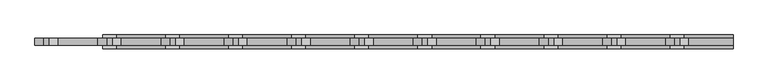
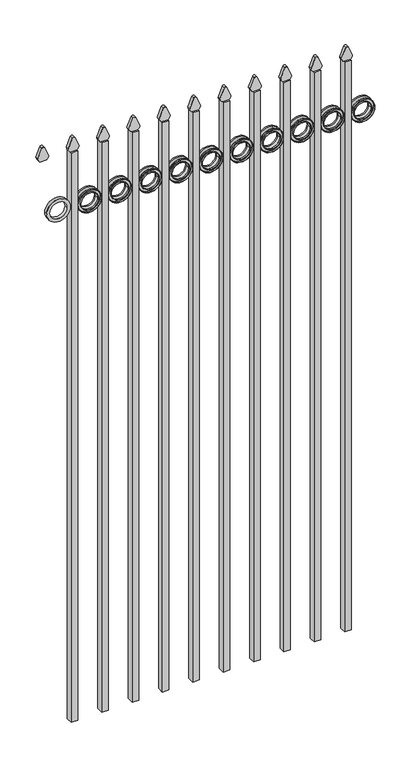
"""IFC4 building model written with IfcOpenShell, lengths in millimetres: railing geometry."""

from ifc_helpers import new_model, si_unit, point, frame, frame_2d, origin, place, context, project, spatial, polyline, circle_curve, trimmed, segment, composite_curve, outline, extrude, source, transform, mapped, element, save


def railing_239da3ba(model_context):
    return source(origin(), model_context, "Body", "SweptSolid", [
        extrude(outline(composite_curve([segment(polyline([(2379.0798417, -22591.9399936), (2379.0798417, -22566.2493116)]), True, "CONTINUOUS"), segment(trimmed(circle_curve(frame_2d((2397.3299402, -22580.4122336)), 23.1009622), [point((2379.0798417, -22566.2493116))], [point((2391.8676176, -22557.9663545))], False, "CARTESIAN"), True, "CONTINUOUS"), segment(polyline([(2391.8676176, -22557.9663545), (2432.3555225, -22574.2855644)]), True, "CONTINUOUS"), segment(trimmed(circle_curve(frame_2d((2429.2045804, -22579.4155764)), 6.0204202), [point((2432.3555225, -22574.2855644))], [point((2432.3555225, -22584.5455884))], False, "CARTESIAN"), True, "CONTINUOUS"), segment(polyline([(2432.3555225, -22584.5455884), (2393.1339948, -22600.4937724)]), True, "CONTINUOUS"), segment(trimmed(circle_curve(frame_2d((2397.3299402, -22577.7770716)), 23.1009622), [point((2393.1339948, -22600.4937724))], [point((2379.0798417, -22591.9399936))], False, "CARTESIAN"), True, "CONTINUOUS")], self_intersect=False)), frame((0.0, 7314.569541, 0.0), z_axis=(0.0, 1.0, 0.0), x_axis=(0.0, 0.0, 1.0)), (0.0, 0.0, 1.0), 12.7),
        extrude(outline(composite_curve([segment(trimmed(circle_curve(frame_2d((2156.5853669, -22520.4442595)), 45.6988591), [point((2156.5853669, -22474.7454004))], [point((2156.5853669, -22566.1431186))], False, "CARTESIAN"), True, "CONTINUOUS"), segment(trimmed(circle_curve(frame_2d((2156.5853669, -22520.4442595)), 45.6988591), [point((2156.5853669, -22566.1431186))], [point((2156.5853669, -22474.7454004))], False, "CARTESIAN"), True, "CONTINUOUS")], self_intersect=False), holes=[composite_curve([segment(trimmed(circle_curve(frame_2d((2156.5853669, -22520.4442595)), 33.0443887), [point((2156.5853669, -22487.3998708))], [point((2156.5853669, -22553.4886482))], True, "CARTESIAN"), True, "CONTINUOUS"), segment(trimmed(circle_curve(frame_2d((2156.5853669, -22520.4442595)), 33.0443887), [point((2156.5853669, -22553.4886482))], [point((2156.5853669, -22487.3998708))], True, "CARTESIAN"), True, "CONTINUOUS")], self_intersect=False)]), frame((0.0, 7314.569541, 0.0), z_axis=(0.0, 1.0, 0.0), x_axis=(0.0, 0.0, 1.0)), (0.0, 0.0, 1.0), 12.7),
        extrude(outline(polyline([(-22591.9399936, 7333.619541), (-22566.5399936, 7333.619541), (-22566.5399936, 7308.219541), (-22591.9399936, 7308.219541), (-22591.9399936, 7333.619541)])), frame((0.0, 0.0, 50.8), z_axis=(0.0, 0.0, 1.0), x_axis=(1.0, 0.0, 0.0)), (0.0, 0.0, 1.0), 2328.0579232),
        extrude(outline(composite_curve([segment(trimmed(circle_curve(frame_2d((2156.5853669, -22520.4442595)), 45.6988591), [point((2156.5853669, -22474.7454004))], [point((2156.5853669, -22566.1431186))], False, "CARTESIAN"), True, "CONTINUOUS"), segment(trimmed(circle_curve(frame_2d((2156.5853669, -22520.4442595)), 45.6988591), [point((2156.5853669, -22566.1431186))], [point((2156.5853669, -22474.7454004))], False, "CARTESIAN"), True, "CONTINUOUS")], self_intersect=False), holes=[composite_curve([segment(trimmed(circle_curve(frame_2d((2156.5853669, -22520.4442595)), 44.101539), [point((2156.5853669, -22476.3427205))], [point((2156.5853669, -22564.5457985))], True, "CARTESIAN"), True, "CONTINUOUS"), segment(trimmed(circle_curve(frame_2d((2156.5853669, -22520.4442595)), 44.101539), [point((2156.5853669, -22564.5457985))], [point((2156.5853669, -22476.3427205))], True, "CARTESIAN"), True, "CONTINUOUS")], self_intersect=False)]), frame((0.0, 7308.219541, 0.0), z_axis=(0.0, 1.0, 0.0), x_axis=(0.0, 0.0, 1.0)), (0.0, 0.0, 1.0), 25.4),
        extrude(outline(composite_curve([segment(trimmed(circle_curve(frame_2d((2156.5853669, -22520.4442595)), 34.6370762), [point((2156.5853669, -22485.8071833))], [point((2156.5853669, -22555.0813357))], False, "CARTESIAN"), True, "CONTINUOUS"), segment(trimmed(circle_curve(frame_2d((2156.5853669, -22520.4442595)), 34.6370762), [point((2156.5853669, -22555.0813357))], [point((2156.5853669, -22485.8071833))], False, "CARTESIAN"), True, "CONTINUOUS")], self_intersect=False), holes=[composite_curve([segment(trimmed(circle_curve(frame_2d((2156.5853669, -22520.4442595)), 33.0443887), [point((2156.5853669, -22487.3998708))], [point((2156.5853669, -22553.4886482))], True, "CARTESIAN"), True, "CONTINUOUS"), segment(trimmed(circle_curve(frame_2d((2156.5853669, -22520.4442595)), 33.0443887), [point((2156.5853669, -22553.4886482))], [point((2156.5853669, -22487.3998708))], True, "CARTESIAN"), True, "CONTINUOUS")], self_intersect=False)]), frame((0.0, 7308.219541, 0.0), z_axis=(0.0, 1.0, 0.0), x_axis=(0.0, 0.0, 1.0)), (0.0, 0.0, 1.0), 25.4),
        extrude(outline(composite_curve([segment(polyline([(2379.0798417, -22709.4149936), (2379.0798417, -22683.7243116)]), True, "CONTINUOUS"), segment(trimmed(circle_curve(frame_2d((2397.3299402, -22697.8872336)), 23.1009622), [point((2379.0798417, -22683.7243116))], [point((2391.8676176, -22675.4413545))], False, "CARTESIAN"), True, "CONTINUOUS"), segment(polyline([(2391.8676176, -22675.4413545), (2432.3555225, -22691.7605644)]), True, "CONTINUOUS"), segment(trimmed(circle_curve(frame_2d((2429.2045804, -22696.8905764)), 6.0204202), [point((2432.3555225, -22691.7605644))], [point((2432.3555225, -22702.0205884))], False, "CARTESIAN"), True, "CONTINUOUS"), segment(polyline([(2432.3555225, -22702.0205884), (2393.1339948, -22717.9687724)]), True, "CONTINUOUS"), segment(trimmed(circle_curve(frame_2d((2397.3299402, -22695.2520716)), 23.1009622), [point((2393.1339948, -22717.9687724))], [point((2379.0798417, -22709.4149936))], False, "CARTESIAN"), True, "CONTINUOUS")], self_intersect=False)), frame((0.0, 7314.569541, 0.0), z_axis=(0.0, 1.0, 0.0), x_axis=(0.0, 0.0, 1.0)), (0.0, 0.0, 1.0), 12.7),
        extrude(outline(composite_curve([segment(trimmed(circle_curve(frame_2d((2156.5853669, -22637.9192595)), 45.6988591), [point((2156.5853669, -22592.2204004))], [point((2156.5853669, -22683.6181186))], False, "CARTESIAN"), True, "CONTINUOUS"), segment(trimmed(circle_curve(frame_2d((2156.5853669, -22637.9192595)), 45.6988591), [point((2156.5853669, -22683.6181186))], [point((2156.5853669, -22592.2204004))], False, "CARTESIAN"), True, "CONTINUOUS")], self_intersect=False), holes=[composite_curve([segment(trimmed(circle_curve(frame_2d((2156.5853669, -22637.9192595)), 33.0443887), [point((2156.5853669, -22604.8748708))], [point((2156.5853669, -22670.9636482))], True, "CARTESIAN"), True, "CONTINUOUS"), segment(trimmed(circle_curve(frame_2d((2156.5853669, -22637.9192595)), 33.0443887), [point((2156.5853669, -22670.9636482))], [point((2156.5853669, -22604.8748708))], True, "CARTESIAN"), True, "CONTINUOUS")], self_intersect=False)]), frame((0.0, 7314.569541, 0.0), z_axis=(0.0, 1.0, 0.0), x_axis=(0.0, 0.0, 1.0)), (0.0, 0.0, 1.0), 12.7),
        extrude(outline(polyline([(-22709.4149936, 7333.619541), (-22684.0149936, 7333.619541), (-22684.0149936, 7308.219541), (-22709.4149936, 7308.219541), (-22709.4149936, 7333.619541)])), frame((0.0, 0.0, 50.8), z_axis=(0.0, 0.0, 1.0), x_axis=(1.0, 0.0, 0.0)), (0.0, 0.0, 1.0), 2328.0579232),
        extrude(outline(composite_curve([segment(trimmed(circle_curve(frame_2d((2156.5853669, -22637.9192595)), 45.6988591), [point((2156.5853669, -22592.2204004))], [point((2156.5853669, -22683.6181186))], False, "CARTESIAN"), True, "CONTINUOUS"), segment(trimmed(circle_curve(frame_2d((2156.5853669, -22637.9192595)), 45.6988591), [point((2156.5853669, -22683.6181186))], [point((2156.5853669, -22592.2204004))], False, "CARTESIAN"), True, "CONTINUOUS")], self_intersect=False), holes=[composite_curve([segment(trimmed(circle_curve(frame_2d((2156.5853669, -22637.9192595)), 44.101539), [point((2156.5853669, -22593.8177205))], [point((2156.5853669, -22682.0207985))], True, "CARTESIAN"), True, "CONTINUOUS"), segment(trimmed(circle_curve(frame_2d((2156.5853669, -22637.9192595)), 44.101539), [point((2156.5853669, -22682.0207985))], [point((2156.5853669, -22593.8177205))], True, "CARTESIAN"), True, "CONTINUOUS")], self_intersect=False)]), frame((0.0, 7308.219541, 0.0), z_axis=(0.0, 1.0, 0.0), x_axis=(0.0, 0.0, 1.0)), (0.0, 0.0, 1.0), 25.4),
        extrude(outline(composite_curve([segment(trimmed(circle_curve(frame_2d((2156.5853669, -22637.9192595)), 34.6370762), [point((2156.5853669, -22603.2821833))], [point((2156.5853669, -22672.5563357))], False, "CARTESIAN"), True, "CONTINUOUS"), segment(trimmed(circle_curve(frame_2d((2156.5853669, -22637.9192595)), 34.6370762), [point((2156.5853669, -22672.5563357))], [point((2156.5853669, -22603.2821833))], False, "CARTESIAN"), True, "CONTINUOUS")], self_intersect=False), holes=[composite_curve([segment(trimmed(circle_curve(frame_2d((2156.5853669, -22637.9192595)), 33.0443887), [point((2156.5853669, -22604.8748708))], [point((2156.5853669, -22670.9636482))], True, "CARTESIAN"), True, "CONTINUOUS"), segment(trimmed(circle_curve(frame_2d((2156.5853669, -22637.9192595)), 33.0443887), [point((2156.5853669, -22670.9636482))], [point((2156.5853669, -22604.8748708))], True, "CARTESIAN"), True, "CONTINUOUS")], self_intersect=False)]), frame((0.0, 7308.219541, 0.0), z_axis=(0.0, 1.0, 0.0), x_axis=(0.0, 0.0, 1.0)), (0.0, 0.0, 1.0), 25.4),
        extrude(outline(composite_curve([segment(polyline([(2379.0798417, -22826.8899936), (2379.0798417, -22801.1993116)]), True, "CONTINUOUS"), segment(trimmed(circle_curve(frame_2d((2397.3299402, -22815.3622336)), 23.1009622), [point((2379.0798417, -22801.1993116))], [point((2391.8676176, -22792.9163545))], False, "CARTESIAN"), True, "CONTINUOUS"), segment(polyline([(2391.8676176, -22792.9163545), (2432.3555225, -22809.2355644)]), True, "CONTINUOUS"), segment(trimmed(circle_curve(frame_2d((2429.2045804, -22814.3655764)), 6.0204202), [point((2432.3555225, -22809.2355644))], [point((2432.3555225, -22819.4955884))], False, "CARTESIAN"), True, "CONTINUOUS"), segment(polyline([(2432.3555225, -22819.4955884), (2393.1339948, -22835.4437724)]), True, "CONTINUOUS"), segment(trimmed(circle_curve(frame_2d((2397.3299402, -22812.7270716)), 23.1009622), [point((2393.1339948, -22835.4437724))], [point((2379.0798417, -22826.8899936))], False, "CARTESIAN"), True, "CONTINUOUS")], self_intersect=False)), frame((0.0, 7314.569541, 0.0), z_axis=(0.0, 1.0, 0.0), x_axis=(0.0, 0.0, 1.0)), (0.0, 0.0, 1.0), 12.7),
        extrude(outline(composite_curve([segment(trimmed(circle_curve(frame_2d((2156.5853669, -22755.3942595)), 45.6988591), [point((2156.5853669, -22709.6954004))], [point((2156.5853669, -22801.0931186))], False, "CARTESIAN"), True, "CONTINUOUS"), segment(trimmed(circle_curve(frame_2d((2156.5853669, -22755.3942595)), 45.6988591), [point((2156.5853669, -22801.0931186))], [point((2156.5853669, -22709.6954004))], False, "CARTESIAN"), True, "CONTINUOUS")], self_intersect=False), holes=[composite_curve([segment(trimmed(circle_curve(frame_2d((2156.5853669, -22755.3942595)), 33.0443887), [point((2156.5853669, -22722.3498708))], [point((2156.5853669, -22788.4386482))], True, "CARTESIAN"), True, "CONTINUOUS"), segment(trimmed(circle_curve(frame_2d((2156.5853669, -22755.3942595)), 33.0443887), [point((2156.5853669, -22788.4386482))], [point((2156.5853669, -22722.3498708))], True, "CARTESIAN"), True, "CONTINUOUS")], self_intersect=False)]), frame((0.0, 7314.569541, 0.0), z_axis=(0.0, 1.0, 0.0), x_axis=(0.0, 0.0, 1.0)), (0.0, 0.0, 1.0), 12.7),
        extrude(outline(polyline([(-22826.8899936, 7333.619541), (-22801.4899936, 7333.619541), (-22801.4899936, 7308.219541), (-22826.8899936, 7308.219541), (-22826.8899936, 7333.619541)])), frame((0.0, 0.0, 50.8), z_axis=(0.0, 0.0, 1.0), x_axis=(1.0, 0.0, 0.0)), (0.0, 0.0, 1.0), 2328.0579232),
        extrude(outline(composite_curve([segment(trimmed(circle_curve(frame_2d((2156.5853669, -22755.3942595)), 45.6988591), [point((2156.5853669, -22709.6954004))], [point((2156.5853669, -22801.0931186))], False, "CARTESIAN"), True, "CONTINUOUS"), segment(trimmed(circle_curve(frame_2d((2156.5853669, -22755.3942595)), 45.6988591), [point((2156.5853669, -22801.0931186))], [point((2156.5853669, -22709.6954004))], False, "CARTESIAN"), True, "CONTINUOUS")], self_intersect=False), holes=[composite_curve([segment(trimmed(circle_curve(frame_2d((2156.5853669, -22755.3942595)), 44.101539), [point((2156.5853669, -22711.2927205))], [point((2156.5853669, -22799.4957985))], True, "CARTESIAN"), True, "CONTINUOUS"), segment(trimmed(circle_curve(frame_2d((2156.5853669, -22755.3942595)), 44.101539), [point((2156.5853669, -22799.4957985))], [point((2156.5853669, -22711.2927205))], True, "CARTESIAN"), True, "CONTINUOUS")], self_intersect=False)]), frame((0.0, 7308.219541, 0.0), z_axis=(0.0, 1.0, 0.0), x_axis=(0.0, 0.0, 1.0)), (0.0, 0.0, 1.0), 25.4),
        extrude(outline(composite_curve([segment(trimmed(circle_curve(frame_2d((2156.5853669, -22755.3942595)), 34.6370762), [point((2156.5853669, -22720.7571833))], [point((2156.5853669, -22790.0313357))], False, "CARTESIAN"), True, "CONTINUOUS"), segment(trimmed(circle_curve(frame_2d((2156.5853669, -22755.3942595)), 34.6370762), [point((2156.5853669, -22790.0313357))], [point((2156.5853669, -22720.7571833))], False, "CARTESIAN"), True, "CONTINUOUS")], self_intersect=False), holes=[composite_curve([segment(trimmed(circle_curve(frame_2d((2156.5853669, -22755.3942595)), 33.0443887), [point((2156.5853669, -22722.3498708))], [point((2156.5853669, -22788.4386482))], True, "CARTESIAN"), True, "CONTINUOUS"), segment(trimmed(circle_curve(frame_2d((2156.5853669, -22755.3942595)), 33.0443887), [point((2156.5853669, -22788.4386482))], [point((2156.5853669, -22722.3498708))], True, "CARTESIAN"), True, "CONTINUOUS")], self_intersect=False)]), frame((0.0, 7308.219541, 0.0), z_axis=(0.0, 1.0, 0.0), x_axis=(0.0, 0.0, 1.0)), (0.0, 0.0, 1.0), 25.4),
        extrude(outline(composite_curve([segment(polyline([(2379.0798417, -22944.3649936), (2379.0798417, -22918.6743116)]), True, "CONTINUOUS"), segment(trimmed(circle_curve(frame_2d((2397.3299402, -22932.8372336)), 23.1009622), [point((2379.0798417, -22918.6743116))], [point((2391.8676176, -22910.3913545))], False, "CARTESIAN"), True, "CONTINUOUS"), segment(polyline([(2391.8676176, -22910.3913545), (2432.3555225, -22926.7105644)]), True, "CONTINUOUS"), segment(trimmed(circle_curve(frame_2d((2429.2045804, -22931.8405764)), 6.0204202), [point((2432.3555225, -22926.7105644))], [point((2432.3555225, -22936.9705884))], False, "CARTESIAN"), True, "CONTINUOUS"), segment(polyline([(2432.3555225, -22936.9705884), (2393.1339948, -22952.9187724)]), True, "CONTINUOUS"), segment(trimmed(circle_curve(frame_2d((2397.3299402, -22930.2020716)), 23.1009622), [point((2393.1339948, -22952.9187724))], [point((2379.0798417, -22944.3649936))], False, "CARTESIAN"), True, "CONTINUOUS")], self_intersect=False)), frame((0.0, 7314.569541, 0.0), z_axis=(0.0, 1.0, 0.0), x_axis=(0.0, 0.0, 1.0)), (0.0, 0.0, 1.0), 12.7),
        extrude(outline(composite_curve([segment(trimmed(circle_curve(frame_2d((2156.5853669, -22872.8692595)), 45.6988591), [point((2156.5853669, -22827.1704004))], [point((2156.5853669, -22918.5681186))], False, "CARTESIAN"), True, "CONTINUOUS"), segment(trimmed(circle_curve(frame_2d((2156.5853669, -22872.8692595)), 45.6988591), [point((2156.5853669, -22918.5681186))], [point((2156.5853669, -22827.1704004))], False, "CARTESIAN"), True, "CONTINUOUS")], self_intersect=False), holes=[composite_curve([segment(trimmed(circle_curve(frame_2d((2156.5853669, -22872.8692595)), 33.0443887), [point((2156.5853669, -22839.8248708))], [point((2156.5853669, -22905.9136482))], True, "CARTESIAN"), True, "CONTINUOUS"), segment(trimmed(circle_curve(frame_2d((2156.5853669, -22872.8692595)), 33.0443887), [point((2156.5853669, -22905.9136482))], [point((2156.5853669, -22839.8248708))], True, "CARTESIAN"), True, "CONTINUOUS")], self_intersect=False)]), frame((0.0, 7314.569541, 0.0), z_axis=(0.0, 1.0, 0.0), x_axis=(0.0, 0.0, 1.0)), (0.0, 0.0, 1.0), 12.7),
        extrude(outline(polyline([(-22944.3649936, 7333.619541), (-22918.9649936, 7333.619541), (-22918.9649936, 7308.219541), (-22944.3649936, 7308.219541), (-22944.3649936, 7333.619541)])), frame((0.0, 0.0, 50.8), z_axis=(0.0, 0.0, 1.0), x_axis=(1.0, 0.0, 0.0)), (0.0, 0.0, 1.0), 2328.0579232),
        extrude(outline(composite_curve([segment(trimmed(circle_curve(frame_2d((2156.5853669, -22872.8692595)), 45.6988591), [point((2156.5853669, -22827.1704004))], [point((2156.5853669, -22918.5681186))], False, "CARTESIAN"), True, "CONTINUOUS"), segment(trimmed(circle_curve(frame_2d((2156.5853669, -22872.8692595)), 45.6988591), [point((2156.5853669, -22918.5681186))], [point((2156.5853669, -22827.1704004))], False, "CARTESIAN"), True, "CONTINUOUS")], self_intersect=False), holes=[composite_curve([segment(trimmed(circle_curve(frame_2d((2156.5853669, -22872.8692595)), 44.101539), [point((2156.5853669, -22828.7677205))], [point((2156.5853669, -22916.9707985))], True, "CARTESIAN"), True, "CONTINUOUS"), segment(trimmed(circle_curve(frame_2d((2156.5853669, -22872.8692595)), 44.101539), [point((2156.5853669, -22916.9707985))], [point((2156.5853669, -22828.7677205))], True, "CARTESIAN"), True, "CONTINUOUS")], self_intersect=False)]), frame((0.0, 7308.219541, 0.0), z_axis=(0.0, 1.0, 0.0), x_axis=(0.0, 0.0, 1.0)), (0.0, 0.0, 1.0), 25.4),
        extrude(outline(composite_curve([segment(trimmed(circle_curve(frame_2d((2156.5853669, -22872.8692595)), 34.6370762), [point((2156.5853669, -22838.2321833))], [point((2156.5853669, -22907.5063357))], False, "CARTESIAN"), True, "CONTINUOUS"), segment(trimmed(circle_curve(frame_2d((2156.5853669, -22872.8692595)), 34.6370762), [point((2156.5853669, -22907.5063357))], [point((2156.5853669, -22838.2321833))], False, "CARTESIAN"), True, "CONTINUOUS")], self_intersect=False), holes=[composite_curve([segment(trimmed(circle_curve(frame_2d((2156.5853669, -22872.8692595)), 33.0443887), [point((2156.5853669, -22839.8248708))], [point((2156.5853669, -22905.9136482))], True, "CARTESIAN"), True, "CONTINUOUS"), segment(trimmed(circle_curve(frame_2d((2156.5853669, -22872.8692595)), 33.0443887), [point((2156.5853669, -22905.9136482))], [point((2156.5853669, -22839.8248708))], True, "CARTESIAN"), True, "CONTINUOUS")], self_intersect=False)]), frame((0.0, 7308.219541, 0.0), z_axis=(0.0, 1.0, 0.0), x_axis=(0.0, 0.0, 1.0)), (0.0, 0.0, 1.0), 25.4),
        extrude(outline(composite_curve([segment(polyline([(2379.0798417, -23061.8399936), (2379.0798417, -23036.1493116)]), True, "CONTINUOUS"), segment(trimmed(circle_curve(frame_2d((2397.3299402, -23050.3122336)), 23.1009622), [point((2379.0798417, -23036.1493116))], [point((2391.8676176, -23027.8663545))], False, "CARTESIAN"), True, "CONTINUOUS"), segment(polyline([(2391.8676176, -23027.8663545), (2432.3555225, -23044.1855644)]), True, "CONTINUOUS"), segment(trimmed(circle_curve(frame_2d((2429.2045804, -23049.3155764)), 6.0204202), [point((2432.3555225, -23044.1855644))], [point((2432.3555225, -23054.4455884))], False, "CARTESIAN"), True, "CONTINUOUS"), segment(polyline([(2432.3555225, -23054.4455884), (2393.1339948, -23070.3937724)]), True, "CONTINUOUS"), segment(trimmed(circle_curve(frame_2d((2397.3299402, -23047.6770716)), 23.1009622), [point((2393.1339948, -23070.3937724))], [point((2379.0798417, -23061.8399936))], False, "CARTESIAN"), True, "CONTINUOUS")], self_intersect=False)), frame((0.0, 7314.569541, 0.0), z_axis=(0.0, 1.0, 0.0), x_axis=(0.0, 0.0, 1.0)), (0.0, 0.0, 1.0), 12.7),
        extrude(outline(composite_curve([segment(trimmed(circle_curve(frame_2d((2156.5853669, -22990.3442595)), 45.6988591), [point((2156.5853669, -22944.6454004))], [point((2156.5853669, -23036.0431186))], False, "CARTESIAN"), True, "CONTINUOUS"), segment(trimmed(circle_curve(frame_2d((2156.5853669, -22990.3442595)), 45.6988591), [point((2156.5853669, -23036.0431186))], [point((2156.5853669, -22944.6454004))], False, "CARTESIAN"), True, "CONTINUOUS")], self_intersect=False), holes=[composite_curve([segment(trimmed(circle_curve(frame_2d((2156.5853669, -22990.3442595)), 33.0443887), [point((2156.5853669, -22957.2998708))], [point((2156.5853669, -23023.3886482))], True, "CARTESIAN"), True, "CONTINUOUS"), segment(trimmed(circle_curve(frame_2d((2156.5853669, -22990.3442595)), 33.0443887), [point((2156.5853669, -23023.3886482))], [point((2156.5853669, -22957.2998708))], True, "CARTESIAN"), True, "CONTINUOUS")], self_intersect=False)]), frame((0.0, 7314.569541, 0.0), z_axis=(0.0, 1.0, 0.0), x_axis=(0.0, 0.0, 1.0)), (0.0, 0.0, 1.0), 12.7),
        extrude(outline(polyline([(-23061.8399936, 7333.619541), (-23036.4399936, 7333.619541), (-23036.4399936, 7308.219541), (-23061.8399936, 7308.219541), (-23061.8399936, 7333.619541)])), frame((0.0, 0.0, 50.8), z_axis=(0.0, 0.0, 1.0), x_axis=(1.0, 0.0, 0.0)), (0.0, 0.0, 1.0), 2328.0579232),
        extrude(outline(composite_curve([segment(trimmed(circle_curve(frame_2d((2156.5853669, -22990.3442595)), 45.6988591), [point((2156.5853669, -22944.6454004))], [point((2156.5853669, -23036.0431186))], False, "CARTESIAN"), True, "CONTINUOUS"), segment(trimmed(circle_curve(frame_2d((2156.5853669, -22990.3442595)), 45.6988591), [point((2156.5853669, -23036.0431186))], [point((2156.5853669, -22944.6454004))], False, "CARTESIAN"), True, "CONTINUOUS")], self_intersect=False), holes=[composite_curve([segment(trimmed(circle_curve(frame_2d((2156.5853669, -22990.3442595)), 44.101539), [point((2156.5853669, -22946.2427205))], [point((2156.5853669, -23034.4457985))], True, "CARTESIAN"), True, "CONTINUOUS"), segment(trimmed(circle_curve(frame_2d((2156.5853669, -22990.3442595)), 44.101539), [point((2156.5853669, -23034.4457985))], [point((2156.5853669, -22946.2427205))], True, "CARTESIAN"), True, "CONTINUOUS")], self_intersect=False)]), frame((0.0, 7308.219541, 0.0), z_axis=(0.0, 1.0, 0.0), x_axis=(0.0, 0.0, 1.0)), (0.0, 0.0, 1.0), 25.4),
        extrude(outline(composite_curve([segment(trimmed(circle_curve(frame_2d((2156.5853669, -22990.3442595)), 34.6370762), [point((2156.5853669, -22955.7071833))], [point((2156.5853669, -23024.9813357))], False, "CARTESIAN"), True, "CONTINUOUS"), segment(trimmed(circle_curve(frame_2d((2156.5853669, -22990.3442595)), 34.6370762), [point((2156.5853669, -23024.9813357))], [point((2156.5853669, -22955.7071833))], False, "CARTESIAN"), True, "CONTINUOUS")], self_intersect=False), holes=[composite_curve([segment(trimmed(circle_curve(frame_2d((2156.5853669, -22990.3442595)), 33.0443887), [point((2156.5853669, -22957.2998708))], [point((2156.5853669, -23023.3886482))], True, "CARTESIAN"), True, "CONTINUOUS"), segment(trimmed(circle_curve(frame_2d((2156.5853669, -22990.3442595)), 33.0443887), [point((2156.5853669, -23023.3886482))], [point((2156.5853669, -22957.2998708))], True, "CARTESIAN"), True, "CONTINUOUS")], self_intersect=False)]), frame((0.0, 7308.219541, 0.0), z_axis=(0.0, 1.0, 0.0), x_axis=(0.0, 0.0, 1.0)), (0.0, 0.0, 1.0), 25.4),
        extrude(outline(composite_curve([segment(polyline([(2379.0798417, -23179.3149936), (2379.0798417, -23153.6243116)]), True, "CONTINUOUS"), segment(trimmed(circle_curve(frame_2d((2397.3299402, -23167.7872336)), 23.1009622), [point((2379.0798417, -23153.6243116))], [point((2391.8676176, -23145.3413545))], False, "CARTESIAN"), True, "CONTINUOUS"), segment(polyline([(2391.8676176, -23145.3413545), (2432.3555225, -23161.6605644)]), True, "CONTINUOUS"), segment(trimmed(circle_curve(frame_2d((2429.2045804, -23166.7905764)), 6.0204202), [point((2432.3555225, -23161.6605644))], [point((2432.3555225, -23171.9205884))], False, "CARTESIAN"), True, "CONTINUOUS"), segment(polyline([(2432.3555225, -23171.9205884), (2393.1339948, -23187.8687724)]), True, "CONTINUOUS"), segment(trimmed(circle_curve(frame_2d((2397.3299402, -23165.1520716)), 23.1009622), [point((2393.1339948, -23187.8687724))], [point((2379.0798417, -23179.3149936))], False, "CARTESIAN"), True, "CONTINUOUS")], self_intersect=False)), frame((0.0, 7314.569541, 0.0), z_axis=(0.0, 1.0, 0.0), x_axis=(0.0, 0.0, 1.0)), (0.0, 0.0, 1.0), 12.7),
        extrude(outline(composite_curve([segment(trimmed(circle_curve(frame_2d((2156.5853669, -23107.8192595)), 45.6988591), [point((2156.5853669, -23062.1204004))], [point((2156.5853669, -23153.5181186))], False, "CARTESIAN"), True, "CONTINUOUS"), segment(trimmed(circle_curve(frame_2d((2156.5853669, -23107.8192595)), 45.6988591), [point((2156.5853669, -23153.5181186))], [point((2156.5853669, -23062.1204004))], False, "CARTESIAN"), True, "CONTINUOUS")], self_intersect=False), holes=[composite_curve([segment(trimmed(circle_curve(frame_2d((2156.5853669, -23107.8192595)), 33.0443887), [point((2156.5853669, -23074.7748708))], [point((2156.5853669, -23140.8636482))], True, "CARTESIAN"), True, "CONTINUOUS"), segment(trimmed(circle_curve(frame_2d((2156.5853669, -23107.8192595)), 33.0443887), [point((2156.5853669, -23140.8636482))], [point((2156.5853669, -23074.7748708))], True, "CARTESIAN"), True, "CONTINUOUS")], self_intersect=False)]), frame((0.0, 7314.569541, 0.0), z_axis=(0.0, 1.0, 0.0), x_axis=(0.0, 0.0, 1.0)), (0.0, 0.0, 1.0), 12.7),
        extrude(outline(polyline([(-23179.3149936, 7333.619541), (-23153.9149936, 7333.619541), (-23153.9149936, 7308.219541), (-23179.3149936, 7308.219541), (-23179.3149936, 7333.619541)])), frame((0.0, 0.0, 50.8), z_axis=(0.0, 0.0, 1.0), x_axis=(1.0, 0.0, 0.0)), (0.0, 0.0, 1.0), 2328.0579232),
        extrude(outline(composite_curve([segment(trimmed(circle_curve(frame_2d((2156.5853669, -23107.8192595)), 45.6988591), [point((2156.5853669, -23062.1204004))], [point((2156.5853669, -23153.5181186))], False, "CARTESIAN"), True, "CONTINUOUS"), segment(trimmed(circle_curve(frame_2d((2156.5853669, -23107.8192595)), 45.6988591), [point((2156.5853669, -23153.5181186))], [point((2156.5853669, -23062.1204004))], False, "CARTESIAN"), True, "CONTINUOUS")], self_intersect=False), holes=[composite_curve([segment(trimmed(circle_curve(frame_2d((2156.5853669, -23107.8192595)), 44.101539), [point((2156.5853669, -23063.7177205))], [point((2156.5853669, -23151.9207985))], True, "CARTESIAN"), True, "CONTINUOUS"), segment(trimmed(circle_curve(frame_2d((2156.5853669, -23107.8192595)), 44.101539), [point((2156.5853669, -23151.9207985))], [point((2156.5853669, -23063.7177205))], True, "CARTESIAN"), True, "CONTINUOUS")], self_intersect=False)]), frame((0.0, 7308.219541, 0.0), z_axis=(0.0, 1.0, 0.0), x_axis=(0.0, 0.0, 1.0)), (0.0, 0.0, 1.0), 25.4),
        extrude(outline(composite_curve([segment(trimmed(circle_curve(frame_2d((2156.5853669, -23107.8192595)), 34.6370762), [point((2156.5853669, -23073.1821833))], [point((2156.5853669, -23142.4563357))], False, "CARTESIAN"), True, "CONTINUOUS"), segment(trimmed(circle_curve(frame_2d((2156.5853669, -23107.8192595)), 34.6370762), [point((2156.5853669, -23142.4563357))], [point((2156.5853669, -23073.1821833))], False, "CARTESIAN"), True, "CONTINUOUS")], self_intersect=False), holes=[composite_curve([segment(trimmed(circle_curve(frame_2d((2156.5853669, -23107.8192595)), 33.0443887), [point((2156.5853669, -23074.7748708))], [point((2156.5853669, -23140.8636482))], True, "CARTESIAN"), True, "CONTINUOUS"), segment(trimmed(circle_curve(frame_2d((2156.5853669, -23107.8192595)), 33.0443887), [point((2156.5853669, -23140.8636482))], [point((2156.5853669, -23074.7748708))], True, "CARTESIAN"), True, "CONTINUOUS")], self_intersect=False)]), frame((0.0, 7308.219541, 0.0), z_axis=(0.0, 1.0, 0.0), x_axis=(0.0, 0.0, 1.0)), (0.0, 0.0, 1.0), 25.4),
        extrude(outline(composite_curve([segment(polyline([(2379.0798417, -23296.7899936), (2379.0798417, -23271.0993116)]), True, "CONTINUOUS"), segment(trimmed(circle_curve(frame_2d((2397.3299402, -23285.2622336)), 23.1009622), [point((2379.0798417, -23271.0993116))], [point((2391.8676176, -23262.8163545))], False, "CARTESIAN"), True, "CONTINUOUS"), segment(polyline([(2391.8676176, -23262.8163545), (2432.3555225, -23279.1355644)]), True, "CONTINUOUS"), segment(trimmed(circle_curve(frame_2d((2429.2045804, -23284.2655764)), 6.0204202), [point((2432.3555225, -23279.1355644))], [point((2432.3555225, -23289.3955884))], False, "CARTESIAN"), True, "CONTINUOUS"), segment(polyline([(2432.3555225, -23289.3955884), (2393.1339948, -23305.3437724)]), True, "CONTINUOUS"), segment(trimmed(circle_curve(frame_2d((2397.3299402, -23282.6270716)), 23.1009622), [point((2393.1339948, -23305.3437724))], [point((2379.0798417, -23296.7899936))], False, "CARTESIAN"), True, "CONTINUOUS")], self_intersect=False)), frame((0.0, 7314.569541, 0.0), z_axis=(0.0, 1.0, 0.0), x_axis=(0.0, 0.0, 1.0)), (0.0, 0.0, 1.0), 12.7),
        extrude(outline(composite_curve([segment(trimmed(circle_curve(frame_2d((2156.5853669, -23225.2942595)), 45.6988591), [point((2156.5853669, -23179.5954004))], [point((2156.5853669, -23270.9931186))], False, "CARTESIAN"), True, "CONTINUOUS"), segment(trimmed(circle_curve(frame_2d((2156.5853669, -23225.2942595)), 45.6988591), [point((2156.5853669, -23270.9931186))], [point((2156.5853669, -23179.5954004))], False, "CARTESIAN"), True, "CONTINUOUS")], self_intersect=False), holes=[composite_curve([segment(trimmed(circle_curve(frame_2d((2156.5853669, -23225.2942595)), 33.0443887), [point((2156.5853669, -23192.2498708))], [point((2156.5853669, -23258.3386482))], True, "CARTESIAN"), True, "CONTINUOUS"), segment(trimmed(circle_curve(frame_2d((2156.5853669, -23225.2942595)), 33.0443887), [point((2156.5853669, -23258.3386482))], [point((2156.5853669, -23192.2498708))], True, "CARTESIAN"), True, "CONTINUOUS")], self_intersect=False)]), frame((0.0, 7314.569541, 0.0), z_axis=(0.0, 1.0, 0.0), x_axis=(0.0, 0.0, 1.0)), (0.0, 0.0, 1.0), 12.7),
        extrude(outline(polyline([(-23296.7899936, 7333.619541), (-23271.3899936, 7333.619541), (-23271.3899936, 7308.219541), (-23296.7899936, 7308.219541), (-23296.7899936, 7333.619541)])), frame((0.0, 0.0, 50.8), z_axis=(0.0, 0.0, 1.0), x_axis=(1.0, 0.0, 0.0)), (0.0, 0.0, 1.0), 2328.0579232),
        extrude(outline(composite_curve([segment(trimmed(circle_curve(frame_2d((2156.5853669, -23225.2942595)), 45.6988591), [point((2156.5853669, -23179.5954004))], [point((2156.5853669, -23270.9931186))], False, "CARTESIAN"), True, "CONTINUOUS"), segment(trimmed(circle_curve(frame_2d((2156.5853669, -23225.2942595)), 45.6988591), [point((2156.5853669, -23270.9931186))], [point((2156.5853669, -23179.5954004))], False, "CARTESIAN"), True, "CONTINUOUS")], self_intersect=False), holes=[composite_curve([segment(trimmed(circle_curve(frame_2d((2156.5853669, -23225.2942595)), 44.101539), [point((2156.5853669, -23181.1927205))], [point((2156.5853669, -23269.3957985))], True, "CARTESIAN"), True, "CONTINUOUS"), segment(trimmed(circle_curve(frame_2d((2156.5853669, -23225.2942595)), 44.101539), [point((2156.5853669, -23269.3957985))], [point((2156.5853669, -23181.1927205))], True, "CARTESIAN"), True, "CONTINUOUS")], self_intersect=False)]), frame((0.0, 7308.219541, 0.0), z_axis=(0.0, 1.0, 0.0), x_axis=(0.0, 0.0, 1.0)), (0.0, 0.0, 1.0), 25.4),
        extrude(outline(composite_curve([segment(trimmed(circle_curve(frame_2d((2156.5853669, -23225.2942595)), 34.6370762), [point((2156.5853669, -23190.6571833))], [point((2156.5853669, -23259.9313357))], False, "CARTESIAN"), True, "CONTINUOUS"), segment(trimmed(circle_curve(frame_2d((2156.5853669, -23225.2942595)), 34.6370762), [point((2156.5853669, -23259.9313357))], [point((2156.5853669, -23190.6571833))], False, "CARTESIAN"), True, "CONTINUOUS")], self_intersect=False), holes=[composite_curve([segment(trimmed(circle_curve(frame_2d((2156.5853669, -23225.2942595)), 33.0443887), [point((2156.5853669, -23192.2498708))], [point((2156.5853669, -23258.3386482))], True, "CARTESIAN"), True, "CONTINUOUS"), segment(trimmed(circle_curve(frame_2d((2156.5853669, -23225.2942595)), 33.0443887), [point((2156.5853669, -23258.3386482))], [point((2156.5853669, -23192.2498708))], True, "CARTESIAN"), True, "CONTINUOUS")], self_intersect=False)]), frame((0.0, 7308.219541, 0.0), z_axis=(0.0, 1.0, 0.0), x_axis=(0.0, 0.0, 1.0)), (0.0, 0.0, 1.0), 25.4),
        extrude(outline(composite_curve([segment(polyline([(2379.0798417, -23414.2649936), (2379.0798417, -23388.5743116)]), True, "CONTINUOUS"), segment(trimmed(circle_curve(frame_2d((2397.3299402, -23402.7372336)), 23.1009622), [point((2379.0798417, -23388.5743116))], [point((2391.8676176, -23380.2913545))], False, "CARTESIAN"), True, "CONTINUOUS"), segment(polyline([(2391.8676176, -23380.2913545), (2432.3555225, -23396.6105644)]), True, "CONTINUOUS"), segment(trimmed(circle_curve(frame_2d((2429.2045804, -23401.7405764)), 6.0204202), [point((2432.3555225, -23396.6105644))], [point((2432.3555225, -23406.8705884))], False, "CARTESIAN"), True, "CONTINUOUS"), segment(polyline([(2432.3555225, -23406.8705884), (2393.1339948, -23422.8187724)]), True, "CONTINUOUS"), segment(trimmed(circle_curve(frame_2d((2397.3299402, -23400.1020716)), 23.1009622), [point((2393.1339948, -23422.8187724))], [point((2379.0798417, -23414.2649936))], False, "CARTESIAN"), True, "CONTINUOUS")], self_intersect=False)), frame((0.0, 7314.569541, 0.0), z_axis=(0.0, 1.0, 0.0), x_axis=(0.0, 0.0, 1.0)), (0.0, 0.0, 1.0), 12.7),
        extrude(outline(composite_curve([segment(trimmed(circle_curve(frame_2d((2156.5853669, -23342.7692595)), 45.6988591), [point((2156.5853669, -23297.0704004))], [point((2156.5853669, -23388.4681186))], False, "CARTESIAN"), True, "CONTINUOUS"), segment(trimmed(circle_curve(frame_2d((2156.5853669, -23342.7692595)), 45.6988591), [point((2156.5853669, -23388.4681186))], [point((2156.5853669, -23297.0704004))], False, "CARTESIAN"), True, "CONTINUOUS")], self_intersect=False), holes=[composite_curve([segment(trimmed(circle_curve(frame_2d((2156.5853669, -23342.7692595)), 33.0443887), [point((2156.5853669, -23309.7248708))], [point((2156.5853669, -23375.8136482))], True, "CARTESIAN"), True, "CONTINUOUS"), segment(trimmed(circle_curve(frame_2d((2156.5853669, -23342.7692595)), 33.0443887), [point((2156.5853669, -23375.8136482))], [point((2156.5853669, -23309.7248708))], True, "CARTESIAN"), True, "CONTINUOUS")], self_intersect=False)]), frame((0.0, 7314.569541, 0.0), z_axis=(0.0, 1.0, 0.0), x_axis=(0.0, 0.0, 1.0)), (0.0, 0.0, 1.0), 12.7),
        extrude(outline(polyline([(-23414.2649936, 7333.619541), (-23388.8649936, 7333.619541), (-23388.8649936, 7308.219541), (-23414.2649936, 7308.219541), (-23414.2649936, 7333.619541)])), frame((0.0, 0.0, 50.8), z_axis=(0.0, 0.0, 1.0), x_axis=(1.0, 0.0, 0.0)), (0.0, 0.0, 1.0), 2328.0579232),
        extrude(outline(composite_curve([segment(trimmed(circle_curve(frame_2d((2156.5853669, -23342.7692595)), 45.6988591), [point((2156.5853669, -23297.0704004))], [point((2156.5853669, -23388.4681186))], False, "CARTESIAN"), True, "CONTINUOUS"), segment(trimmed(circle_curve(frame_2d((2156.5853669, -23342.7692595)), 45.6988591), [point((2156.5853669, -23388.4681186))], [point((2156.5853669, -23297.0704004))], False, "CARTESIAN"), True, "CONTINUOUS")], self_intersect=False), holes=[composite_curve([segment(trimmed(circle_curve(frame_2d((2156.5853669, -23342.7692595)), 44.101539), [point((2156.5853669, -23298.6677205))], [point((2156.5853669, -23386.8707985))], True, "CARTESIAN"), True, "CONTINUOUS"), segment(trimmed(circle_curve(frame_2d((2156.5853669, -23342.7692595)), 44.101539), [point((2156.5853669, -23386.8707985))], [point((2156.5853669, -23298.6677205))], True, "CARTESIAN"), True, "CONTINUOUS")], self_intersect=False)]), frame((0.0, 7308.219541, 0.0), z_axis=(0.0, 1.0, 0.0), x_axis=(0.0, 0.0, 1.0)), (0.0, 0.0, 1.0), 25.4),
        extrude(outline(composite_curve([segment(trimmed(circle_curve(frame_2d((2156.5853669, -23342.7692595)), 34.6370762), [point((2156.5853669, -23308.1321833))], [point((2156.5853669, -23377.4063357))], False, "CARTESIAN"), True, "CONTINUOUS"), segment(trimmed(circle_curve(frame_2d((2156.5853669, -23342.7692595)), 34.6370762), [point((2156.5853669, -23377.4063357))], [point((2156.5853669, -23308.1321833))], False, "CARTESIAN"), True, "CONTINUOUS")], self_intersect=False), holes=[composite_curve([segment(trimmed(circle_curve(frame_2d((2156.5853669, -23342.7692595)), 33.0443887), [point((2156.5853669, -23309.7248708))], [point((2156.5853669, -23375.8136482))], True, "CARTESIAN"), True, "CONTINUOUS"), segment(trimmed(circle_curve(frame_2d((2156.5853669, -23342.7692595)), 33.0443887), [point((2156.5853669, -23375.8136482))], [point((2156.5853669, -23309.7248708))], True, "CARTESIAN"), True, "CONTINUOUS")], self_intersect=False)]), frame((0.0, 7308.219541, 0.0), z_axis=(0.0, 1.0, 0.0), x_axis=(0.0, 0.0, 1.0)), (0.0, 0.0, 1.0), 25.4),
        extrude(outline(composite_curve([segment(polyline([(2379.0798417, -23531.7399936), (2379.0798417, -23506.0493116)]), True, "CONTINUOUS"), segment(trimmed(circle_curve(frame_2d((2397.3299402, -23520.2122336)), 23.1009622), [point((2379.0798417, -23506.0493116))], [point((2391.8676176, -23497.7663545))], False, "CARTESIAN"), True, "CONTINUOUS"), segment(polyline([(2391.8676176, -23497.7663545), (2432.3555225, -23514.0855644)]), True, "CONTINUOUS"), segment(trimmed(circle_curve(frame_2d((2429.2045804, -23519.2155764)), 6.0204202), [point((2432.3555225, -23514.0855644))], [point((2432.3555225, -23524.3455884))], False, "CARTESIAN"), True, "CONTINUOUS"), segment(polyline([(2432.3555225, -23524.3455884), (2393.1339948, -23540.2937724)]), True, "CONTINUOUS"), segment(trimmed(circle_curve(frame_2d((2397.3299402, -23517.5770716)), 23.1009622), [point((2393.1339948, -23540.2937724))], [point((2379.0798417, -23531.7399936))], False, "CARTESIAN"), True, "CONTINUOUS")], self_intersect=False)), frame((0.0, 7314.569541, 0.0), z_axis=(0.0, 1.0, 0.0), x_axis=(0.0, 0.0, 1.0)), (0.0, 0.0, 1.0), 12.7),
        extrude(outline(composite_curve([segment(trimmed(circle_curve(frame_2d((2156.5853669, -23460.2442595)), 45.6988591), [point((2156.5853669, -23414.5454004))], [point((2156.5853669, -23505.9431186))], False, "CARTESIAN"), True, "CONTINUOUS"), segment(trimmed(circle_curve(frame_2d((2156.5853669, -23460.2442595)), 45.6988591), [point((2156.5853669, -23505.9431186))], [point((2156.5853669, -23414.5454004))], False, "CARTESIAN"), True, "CONTINUOUS")], self_intersect=False), holes=[composite_curve([segment(trimmed(circle_curve(frame_2d((2156.5853669, -23460.2442595)), 33.0443887), [point((2156.5853669, -23427.1998708))], [point((2156.5853669, -23493.2886482))], True, "CARTESIAN"), True, "CONTINUOUS"), segment(trimmed(circle_curve(frame_2d((2156.5853669, -23460.2442595)), 33.0443887), [point((2156.5853669, -23493.2886482))], [point((2156.5853669, -23427.1998708))], True, "CARTESIAN"), True, "CONTINUOUS")], self_intersect=False)]), frame((0.0, 7314.569541, 0.0), z_axis=(0.0, 1.0, 0.0), x_axis=(0.0, 0.0, 1.0)), (0.0, 0.0, 1.0), 12.7),
        extrude(outline(polyline([(-23531.7399936, 7333.619541), (-23506.3399936, 7333.619541), (-23506.3399936, 7308.219541), (-23531.7399936, 7308.219541), (-23531.7399936, 7333.619541)])), frame((0.0, 0.0, 50.8), z_axis=(0.0, 0.0, 1.0), x_axis=(1.0, 0.0, 0.0)), (0.0, 0.0, 1.0), 2328.0579232),
        extrude(outline(composite_curve([segment(trimmed(circle_curve(frame_2d((2156.5853669, -23460.2442595)), 45.6988591), [point((2156.5853669, -23414.5454004))], [point((2156.5853669, -23505.9431186))], False, "CARTESIAN"), True, "CONTINUOUS"), segment(trimmed(circle_curve(frame_2d((2156.5853669, -23460.2442595)), 45.6988591), [point((2156.5853669, -23505.9431186))], [point((2156.5853669, -23414.5454004))], False, "CARTESIAN"), True, "CONTINUOUS")], self_intersect=False), holes=[composite_curve([segment(trimmed(circle_curve(frame_2d((2156.5853669, -23460.2442595)), 44.101539), [point((2156.5853669, -23416.1427205))], [point((2156.5853669, -23504.3457985))], True, "CARTESIAN"), True, "CONTINUOUS"), segment(trimmed(circle_curve(frame_2d((2156.5853669, -23460.2442595)), 44.101539), [point((2156.5853669, -23504.3457985))], [point((2156.5853669, -23416.1427205))], True, "CARTESIAN"), True, "CONTINUOUS")], self_intersect=False)]), frame((0.0, 7308.219541, 0.0), z_axis=(0.0, 1.0, 0.0), x_axis=(0.0, 0.0, 1.0)), (0.0, 0.0, 1.0), 25.4),
        extrude(outline(composite_curve([segment(trimmed(circle_curve(frame_2d((2156.5853669, -23460.2442595)), 34.6370762), [point((2156.5853669, -23425.6071833))], [point((2156.5853669, -23494.8813357))], False, "CARTESIAN"), True, "CONTINUOUS"), segment(trimmed(circle_curve(frame_2d((2156.5853669, -23460.2442595)), 34.6370762), [point((2156.5853669, -23494.8813357))], [point((2156.5853669, -23425.6071833))], False, "CARTESIAN"), True, "CONTINUOUS")], self_intersect=False), holes=[composite_curve([segment(trimmed(circle_curve(frame_2d((2156.5853669, -23460.2442595)), 33.0443887), [point((2156.5853669, -23427.1998708))], [point((2156.5853669, -23493.2886482))], True, "CARTESIAN"), True, "CONTINUOUS"), segment(trimmed(circle_curve(frame_2d((2156.5853669, -23460.2442595)), 33.0443887), [point((2156.5853669, -23493.2886482))], [point((2156.5853669, -23427.1998708))], True, "CARTESIAN"), True, "CONTINUOUS")], self_intersect=False)]), frame((0.0, 7308.219541, 0.0), z_axis=(0.0, 1.0, 0.0), x_axis=(0.0, 0.0, 1.0)), (0.0, 0.0, 1.0), 25.4),
        extrude(outline(composite_curve([segment(polyline([(2379.0798417, -23649.2149936), (2379.0798417, -23623.5243116)]), True, "CONTINUOUS"), segment(trimmed(circle_curve(frame_2d((2397.3299402, -23637.6872336)), 23.1009622), [point((2379.0798417, -23623.5243116))], [point((2391.8676176, -23615.2413545))], False, "CARTESIAN"), True, "CONTINUOUS"), segment(polyline([(2391.8676176, -23615.2413545), (2432.3555225, -23631.5605644)]), True, "CONTINUOUS"), segment(trimmed(circle_curve(frame_2d((2429.2045804, -23636.6905764)), 6.0204202), [point((2432.3555225, -23631.5605644))], [point((2432.3555225, -23641.8205884))], False, "CARTESIAN"), True, "CONTINUOUS"), segment(polyline([(2432.3555225, -23641.8205884), (2393.1339948, -23657.7687724)]), True, "CONTINUOUS"), segment(trimmed(circle_curve(frame_2d((2397.3299402, -23635.0520716)), 23.1009622), [point((2393.1339948, -23657.7687724))], [point((2379.0798417, -23649.2149936))], False, "CARTESIAN"), True, "CONTINUOUS")], self_intersect=False)), frame((0.0, 7314.569541, 0.0), z_axis=(0.0, 1.0, 0.0), x_axis=(0.0, 0.0, 1.0)), (0.0, 0.0, 1.0), 12.7),
        extrude(outline(composite_curve([segment(trimmed(circle_curve(frame_2d((2156.5853669, -23577.7192595)), 45.6988591), [point((2156.5853669, -23532.0204004))], [point((2156.5853669, -23623.4181186))], False, "CARTESIAN"), True, "CONTINUOUS"), segment(trimmed(circle_curve(frame_2d((2156.5853669, -23577.7192595)), 45.6988591), [point((2156.5853669, -23623.4181186))], [point((2156.5853669, -23532.0204004))], False, "CARTESIAN"), True, "CONTINUOUS")], self_intersect=False), holes=[composite_curve([segment(trimmed(circle_curve(frame_2d((2156.5853669, -23577.7192595)), 33.0443887), [point((2156.5853669, -23544.6748708))], [point((2156.5853669, -23610.7636482))], True, "CARTESIAN"), True, "CONTINUOUS"), segment(trimmed(circle_curve(frame_2d((2156.5853669, -23577.7192595)), 33.0443887), [point((2156.5853669, -23610.7636482))], [point((2156.5853669, -23544.6748708))], True, "CARTESIAN"), True, "CONTINUOUS")], self_intersect=False)]), frame((0.0, 7314.569541, 0.0), z_axis=(0.0, 1.0, 0.0), x_axis=(0.0, 0.0, 1.0)), (0.0, 0.0, 1.0), 12.7),
        extrude(outline(polyline([(-23649.2149936, 7333.619541), (-23623.8149936, 7333.619541), (-23623.8149936, 7308.219541), (-23649.2149936, 7308.219541), (-23649.2149936, 7333.619541)])), frame((0.0, 0.0, 50.8), z_axis=(0.0, 0.0, 1.0), x_axis=(1.0, 0.0, 0.0)), (0.0, 0.0, 1.0), 2328.0579232),
        extrude(outline(composite_curve([segment(trimmed(circle_curve(frame_2d((2156.5853669, -23577.7192595)), 45.6988591), [point((2156.5853669, -23532.0204004))], [point((2156.5853669, -23623.4181186))], False, "CARTESIAN"), True, "CONTINUOUS"), segment(trimmed(circle_curve(frame_2d((2156.5853669, -23577.7192595)), 45.6988591), [point((2156.5853669, -23623.4181186))], [point((2156.5853669, -23532.0204004))], False, "CARTESIAN"), True, "CONTINUOUS")], self_intersect=False), holes=[composite_curve([segment(trimmed(circle_curve(frame_2d((2156.5853669, -23577.7192595)), 44.101539), [point((2156.5853669, -23533.6177205))], [point((2156.5853669, -23621.8207985))], True, "CARTESIAN"), True, "CONTINUOUS"), segment(trimmed(circle_curve(frame_2d((2156.5853669, -23577.7192595)), 44.101539), [point((2156.5853669, -23621.8207985))], [point((2156.5853669, -23533.6177205))], True, "CARTESIAN"), True, "CONTINUOUS")], self_intersect=False)]), frame((0.0, 7308.219541, 0.0), z_axis=(0.0, 1.0, 0.0), x_axis=(0.0, 0.0, 1.0)), (0.0, 0.0, 1.0), 25.4),
        extrude(outline(composite_curve([segment(trimmed(circle_curve(frame_2d((2156.5853669, -23577.7192595)), 34.6370762), [point((2156.5853669, -23543.0821833))], [point((2156.5853669, -23612.3563357))], False, "CARTESIAN"), True, "CONTINUOUS"), segment(trimmed(circle_curve(frame_2d((2156.5853669, -23577.7192595)), 34.6370762), [point((2156.5853669, -23612.3563357))], [point((2156.5853669, -23543.0821833))], False, "CARTESIAN"), True, "CONTINUOUS")], self_intersect=False), holes=[composite_curve([segment(trimmed(circle_curve(frame_2d((2156.5853669, -23577.7192595)), 33.0443887), [point((2156.5853669, -23544.6748708))], [point((2156.5853669, -23610.7636482))], True, "CARTESIAN"), True, "CONTINUOUS"), segment(trimmed(circle_curve(frame_2d((2156.5853669, -23577.7192595)), 33.0443887), [point((2156.5853669, -23610.7636482))], [point((2156.5853669, -23544.6748708))], True, "CARTESIAN"), True, "CONTINUOUS")], self_intersect=False)]), frame((0.0, 7308.219541, 0.0), z_axis=(0.0, 1.0, 0.0), x_axis=(0.0, 0.0, 1.0)), (0.0, 0.0, 1.0), 25.4),
        extrude(outline(composite_curve([segment(polyline([(2379.0798417, -23766.6899936), (2379.0798417, -23740.9993116)]), True, "CONTINUOUS"), segment(trimmed(circle_curve(frame_2d((2397.3299402, -23755.1622336)), 23.1009622), [point((2379.0798417, -23740.9993116))], [point((2391.8676176, -23732.7163545))], False, "CARTESIAN"), True, "CONTINUOUS"), segment(polyline([(2391.8676176, -23732.7163545), (2432.3555225, -23749.0355644)]), True, "CONTINUOUS"), segment(trimmed(circle_curve(frame_2d((2429.2045804, -23754.1655764)), 6.0204202), [point((2432.3555225, -23749.0355644))], [point((2432.3555225, -23759.2955884))], False, "CARTESIAN"), True, "CONTINUOUS"), segment(polyline([(2432.3555225, -23759.2955884), (2393.1339948, -23775.2437724)]), True, "CONTINUOUS"), segment(trimmed(circle_curve(frame_2d((2397.3299402, -23752.5270716)), 23.1009622), [point((2393.1339948, -23775.2437724))], [point((2379.0798417, -23766.6899936))], False, "CARTESIAN"), True, "CONTINUOUS")], self_intersect=False)), frame((0.0, 7314.569541, 0.0), z_axis=(0.0, 1.0, 0.0), x_axis=(0.0, 0.0, 1.0)), (0.0, 0.0, 1.0), 12.7),
        extrude(outline(composite_curve([segment(trimmed(circle_curve(frame_2d((2156.5853669, -23695.1942595)), 45.6988591), [point((2156.5853669, -23649.4954004))], [point((2156.5853669, -23740.8931186))], False, "CARTESIAN"), True, "CONTINUOUS"), segment(trimmed(circle_curve(frame_2d((2156.5853669, -23695.1942595)), 45.6988591), [point((2156.5853669, -23740.8931186))], [point((2156.5853669, -23649.4954004))], False, "CARTESIAN"), True, "CONTINUOUS")], self_intersect=False), holes=[composite_curve([segment(trimmed(circle_curve(frame_2d((2156.5853669, -23695.1942595)), 33.0443887), [point((2156.5853669, -23662.1498708))], [point((2156.5853669, -23728.2386482))], True, "CARTESIAN"), True, "CONTINUOUS"), segment(trimmed(circle_curve(frame_2d((2156.5853669, -23695.1942595)), 33.0443887), [point((2156.5853669, -23728.2386482))], [point((2156.5853669, -23662.1498708))], True, "CARTESIAN"), True, "CONTINUOUS")], self_intersect=False)]), frame((0.0, 7314.569541, 0.0), z_axis=(0.0, 1.0, 0.0), x_axis=(0.0, 0.0, 1.0)), (0.0, 0.0, 1.0), 12.7),
    ])


if __name__ == "__main__":
    model = new_model("IFC4")
    model_context = context("Model", 3, world=origin())
    ifc_project = project(units=[si_unit("LENGTHUNIT", "METRE", prefix="MILLI")], contexts=[model_context])
    site = spatial("IfcSite", under=ifc_project)
    building = spatial("IfcBuilding", under=site)
    placement = place(None, origin())
    railing_shape = railing_239da3ba(model_context)
    element("IfcRailing", 1, at=placement, inside=building, context=model_context, shape_type="MappedRepresentation", body=[
        mapped(railing_shape, transform((0.0, 0.0, 0.0), x_axis=(1.0, 0.0, 0.0), y_axis=(0.0, 1.0, 0.0), z_axis=(0.0, 0.0, 1.0))),
    ])
    save(model, "model.ifc")
